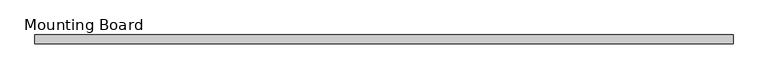
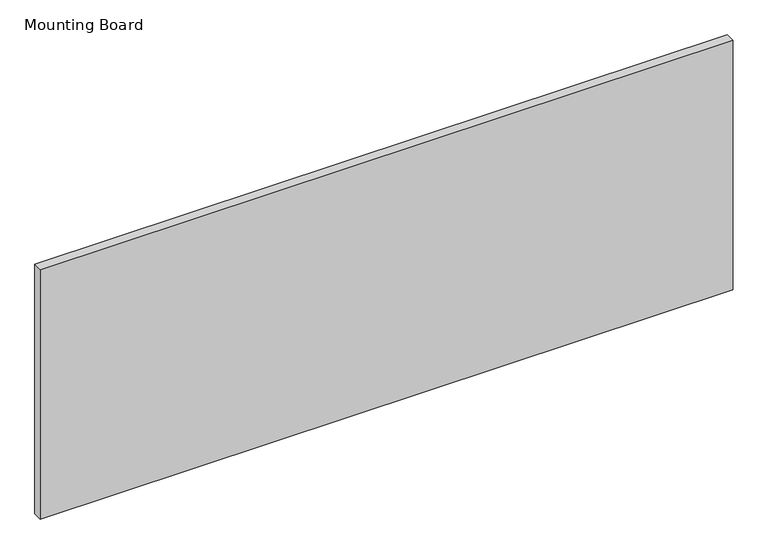
"""IFC4 building model written with IfcOpenShell, lengths in millimetres: furniture geometry, Mounting Board."""

from ifc_helpers import new_model, si_unit, origin, origin_with_axes, place, context, project, spatial, polyline, outline, extrude, source, transform, mapped, element, save


def mounting_board_45b3fc53(model_context):
    return source(origin(), model_context, "Body", "SweptSolid", [
        extrude(outline(polyline([(1476.502, 488.4002442), (1476.502, 469.3502363), (0.0, 469.3502363), (0.0, 488.4002442), (1476.502, 488.4002442)])), origin_with_axes(), (0.0, 0.0, 1.0), 562.102),
    ])


if __name__ == "__main__":
    model = new_model("IFC4")
    model_context = context("Model", 3, world=origin())
    ifc_project = project(units=[si_unit("LENGTHUNIT", "METRE", prefix="MILLI")], contexts=[model_context])
    site = spatial("IfcSite", under=ifc_project)
    building = spatial("IfcBuilding", under=site)
    placement = place(None, origin())
    mounting_board_shape = mounting_board_45b3fc53(model_context)
    element("IfcFurniture", 1, ObjectType="Mounting Board", at=placement, inside=building, context=model_context, shape_type="MappedRepresentation", body=[
        mapped(mounting_board_shape, transform((0.0, 0.0, 0.0), x_axis=(1.0, 0.0, 0.0), y_axis=(0.0, 1.0, 0.0), z_axis=(0.0, 0.0, 1.0))),
    ])
    save(model, "model.ifc")
